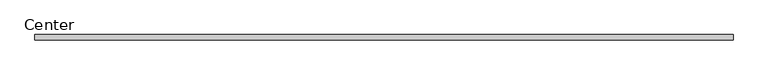
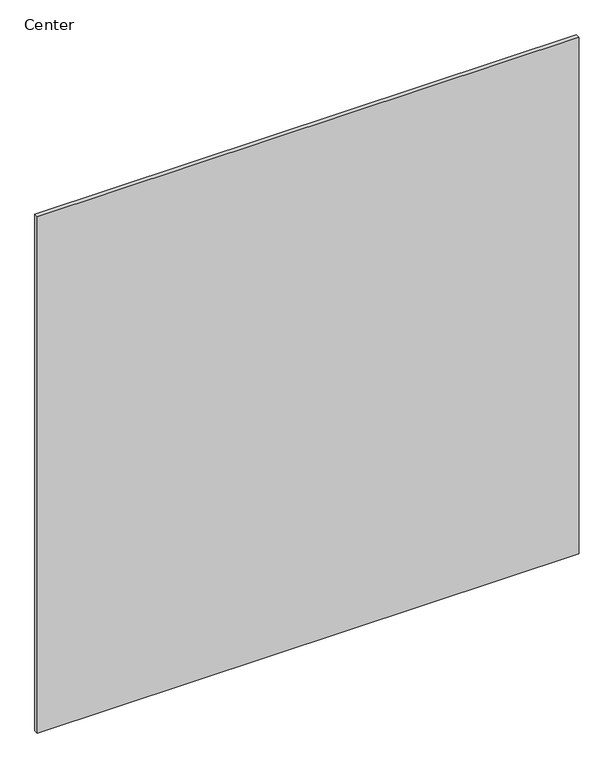
"""IFC4 building model written with IfcOpenShell, lengths in millimetres: plate geometry, Center."""

from ifc_helpers import new_model, si_unit, origin, origin_with_axes, place, context, project, spatial, polyline, outline, extrude, source, transform, mapped, element, save


def center_26f96545(model_context):
    return source(origin(), model_context, "Body", "SweptSolid", [
        extrude(outline(polyline([(598.2374998, 4.7625), (598.2374998, -4.7625), (-598.2374998, -4.7625), (-598.2374998, 4.7625), (598.2374998, 4.7625)])), origin_with_axes(), (0.0, 0.0, 1.0), 1205.0499991),
    ])


if __name__ == "__main__":
    model = new_model("IFC4")
    model_context = context("Model", 3, world=origin())
    ifc_project = project(units=[si_unit("LENGTHUNIT", "METRE", prefix="MILLI")], contexts=[model_context])
    site = spatial("IfcSite", under=ifc_project)
    building = spatial("IfcBuilding", under=site)
    placement = place(None, origin())
    center_shape = center_26f96545(model_context)
    element("IfcPlate", 1, ObjectType="Center", at=placement, inside=building, context=model_context, shape_type="MappedRepresentation", body=[
        mapped(center_shape, transform((0.0, 0.0, 0.0), x_axis=(1.0, 0.0, 0.0), y_axis=(0.0, 1.0, 0.0), z_axis=(0.0, 0.0, 1.0))),
    ])
    save(model, "model.ifc")
